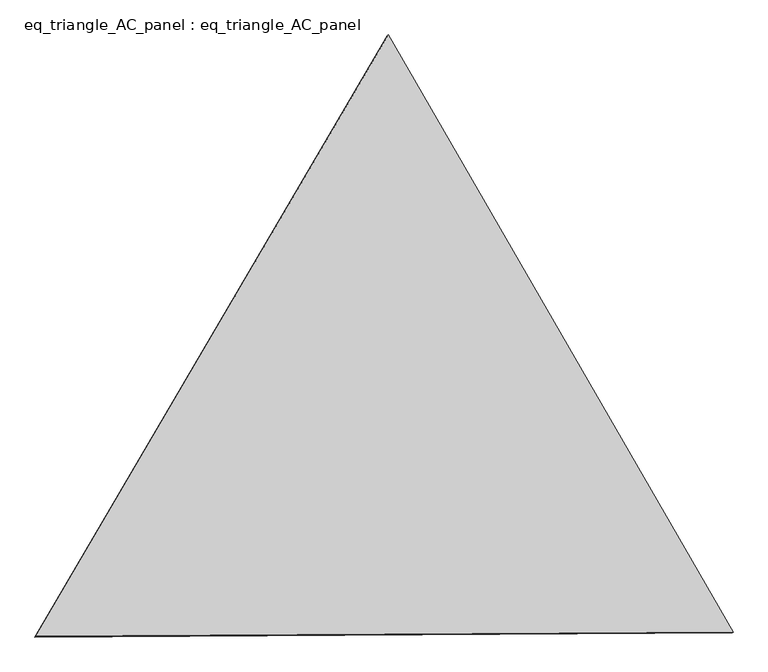
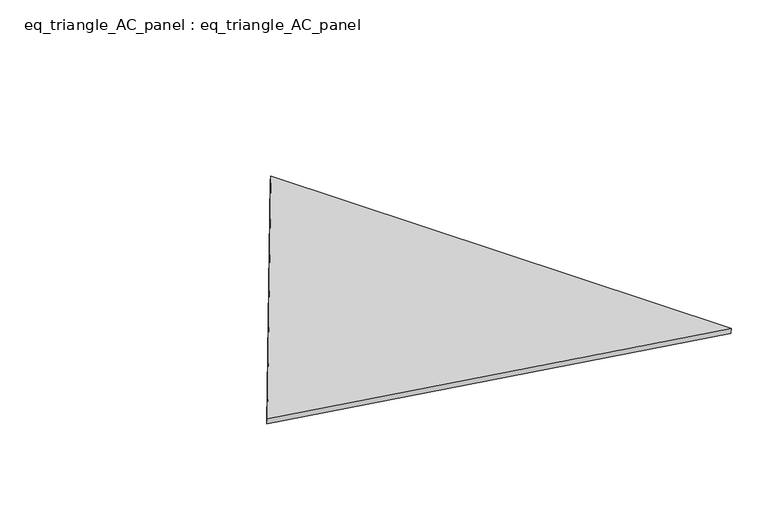
"""IFC4 building model written with IfcOpenShell, lengths in millimetres: proxy geometry, eq_triangle_AC_panel : eq_triangle_AC_panel."""

from ifc_helpers import new_model, si_unit, frame, origin, place, context, project, spatial, polyline, outline, extrude, source, transform, mapped, element, save


def eq_triangle_ac_panel_eq_triangle_ac_panel_c61d6c3b(model_context):
    return source(origin(), model_context, "Body", "SweptSolid", [
        extrude(outline(polyline([(-2017.7351242, 1198.9436382), (2017.7197592, 1198.9436382), (0.0153649, -2397.8872764), (-2017.7351242, 1198.9436382)])), frame((0.0038051, 527.9290861, 89.8240019), z_axis=(0.145263285180582, 0.08386570281802193, 0.9858321976225896), x_axis=(0.49999729912678703, -0.8660269631277108, -1.308874386267251e-06)), (0.0, 0.0, 1.0), 43.8306294),
    ])


if __name__ == "__main__":
    model = new_model("IFC4")
    model_context = context("Model", 3, world=origin())
    ifc_project = project(units=[si_unit("LENGTHUNIT", "METRE", prefix="MILLI")], contexts=[model_context])
    site = spatial("IfcSite", under=ifc_project)
    building = spatial("IfcBuilding", under=site)
    placement = place(None, origin())
    eq_triangle_ac_panel_eq_triangle_ac_panel_shape = eq_triangle_ac_panel_eq_triangle_ac_panel_c61d6c3b(model_context)
    element("IfcBuildingElementProxy", 1, Name="eq_triangle_AC_panel : eq_triangle_AC_panel", ObjectType="eq_triangle_AC_panel : eq_triangle_AC_panel", at=placement, inside=building, context=model_context, shape_type="MappedRepresentation", body=[
        mapped(eq_triangle_ac_panel_eq_triangle_ac_panel_shape, transform((0.0, 0.0, 0.0), x_axis=(1.0, 0.0, 0.0), y_axis=(0.0, 1.0, 0.0), z_axis=(0.0, 0.0, 1.0))),
    ])
    save(model, "model.ifc")
